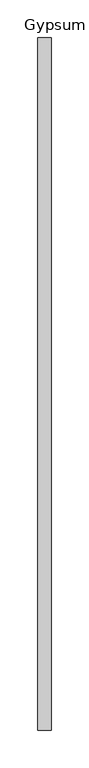
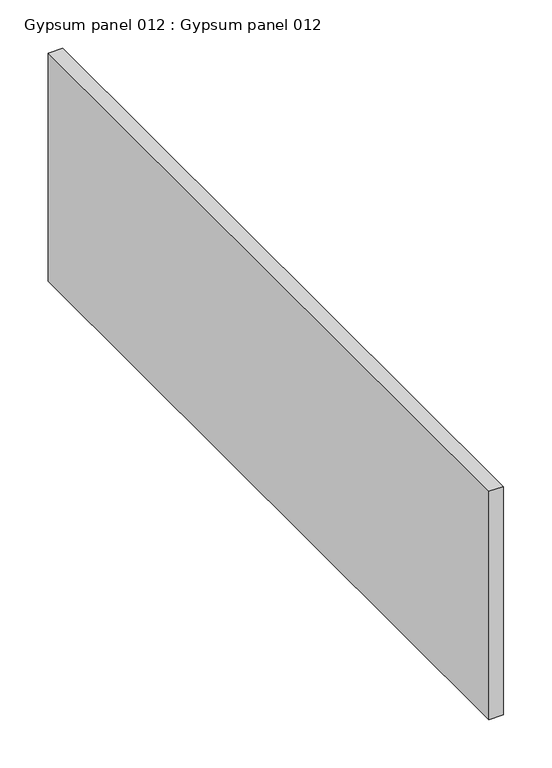
"""IFC4 building model written with IfcOpenShell, lengths in millimetres: proxy geometry, Gypsum panel 012 : Gypsum panel 012."""

from ifc_helpers import new_model, si_unit, frame, origin, place, context, project, spatial, polyline, outline, extrude, source, transform, mapped, element, save


def gypsum_panel_012_gypsum_panel_012_64cb395d(model_context):
    return source(origin(), model_context, "Body", "SweptSolid", [
        extrude(outline(polyline([(35810.8342495, -25196.3529946), (35793.4436245, -25196.3529946), (35793.4436245, -24281.9529946), (35810.8342495, -24281.9529946), (35810.8342495, -25196.3529946)])), frame((0.0, 0.0, 2581.275), z_axis=(0.0, 0.0, 1.0), x_axis=(1.0, 0.0, 0.0)), (0.0, 0.0, 1.0), 288.925),
    ])


if __name__ == "__main__":
    model = new_model("IFC4")
    model_context = context("Model", 3, world=origin())
    ifc_project = project(units=[si_unit("LENGTHUNIT", "METRE", prefix="MILLI")], contexts=[model_context])
    site = spatial("IfcSite", under=ifc_project)
    building = spatial("IfcBuilding", under=site)
    placement = place(None, origin())
    gypsum_panel_012_gypsum_panel_012_shape = gypsum_panel_012_gypsum_panel_012_64cb395d(model_context)
    element("IfcBuildingElementProxy", 1, Name="Gypsum panel 012 : Gypsum panel 012", ObjectType="Gypsum panel 012 : Gypsum panel 012", at=placement, inside=building, context=model_context, shape_type="MappedRepresentation", body=[
        mapped(gypsum_panel_012_gypsum_panel_012_shape, transform((0.0, 0.0, 0.0), x_axis=(1.0, 0.0, 0.0), y_axis=(0.0, 1.0, 0.0), z_axis=(0.0, 0.0, 1.0))),
    ])
    save(model, "model.ifc")
